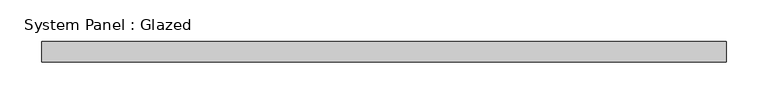
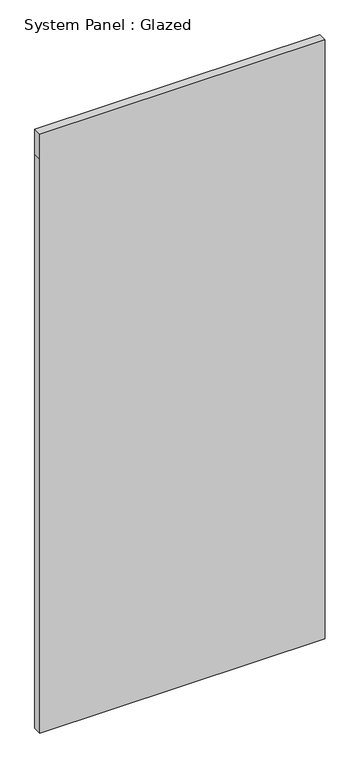
"""IFC4 building model written with IfcOpenShell, lengths in millimetres: plate geometry, System Panel : Glazed."""

from ifc_helpers import new_model, si_unit, frame, origin, place, context, project, spatial, polyline, outline, extrude, source, transform, mapped, element, save


def system_panel_glazed_88b2985b(model_context):
    return source(origin(), model_context, "Body", "SweptSolid", [
        extrude(outline(polyline([(0.0, -412.5), (0.0, 412.5), (1753.3333333, 412.5), (1828.3333333, 412.5), (1828.3333333, -412.5), (1753.3333333, -412.5), (0.0, -412.5)])), frame((0.0, 24.5, 0.0), z_axis=(0.0, 1.0, 0.0), x_axis=(0.0, 0.0, 1.0)), (0.0, 0.0, 1.0), 25.0),
    ])


if __name__ == "__main__":
    model = new_model("IFC4")
    model_context = context("Model", 3, world=origin())
    ifc_project = project(units=[si_unit("LENGTHUNIT", "METRE", prefix="MILLI")], contexts=[model_context])
    site = spatial("IfcSite", under=ifc_project)
    building = spatial("IfcBuilding", under=site)
    placement = place(None, origin())
    system_panel_glazed_shape = system_panel_glazed_88b2985b(model_context)
    element("IfcPlate", 1, ObjectType="System Panel : Glazed", at=placement, inside=building, context=model_context, shape_type="MappedRepresentation", body=[
        mapped(system_panel_glazed_shape, transform((0.0, 0.0, 0.0), x_axis=(1.0, 0.0, 0.0), y_axis=(0.0, 1.0, 0.0), z_axis=(0.0, 0.0, 1.0))),
    ])
    save(model, "model.ifc")
